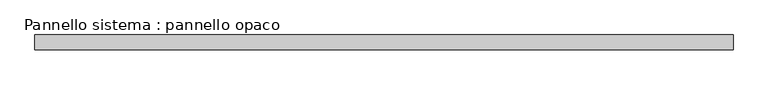
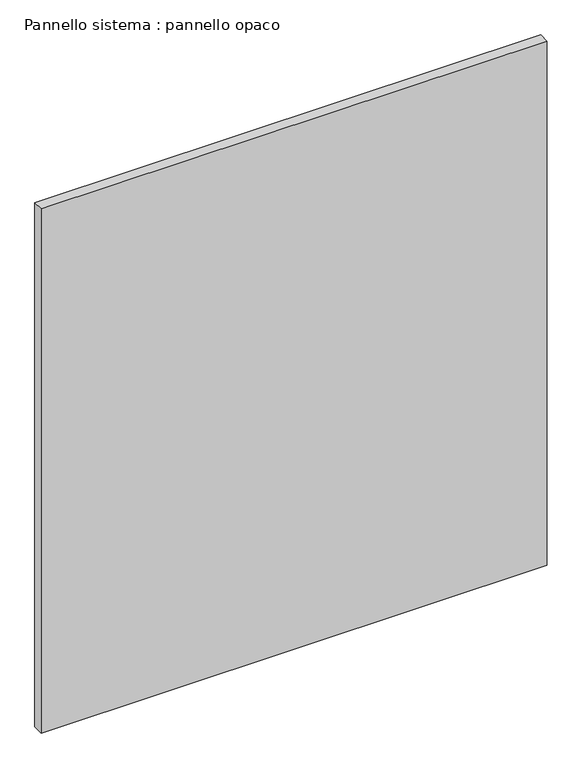
"""IFC4 building model written with IfcOpenShell, lengths in millimetres: plate geometry, Pannello sistema : pannello opaco."""

from ifc_helpers import new_model, si_unit, origin, origin_with_axes, place, context, project, spatial, polyline, outline, extrude, source, transform, mapped, element, save


def pannello_sistema_pannello_opaco_cc7041ba(model_context):
    return source(origin(), model_context, "Body", "SweptSolid", [
        extrude(outline(polyline([(710.0, -15.0), (-710.0, -15.0), (-710.0, 15.0), (710.0, 15.0), (710.0, -15.0)])), origin_with_axes(), (0.0, 0.0, 1.0), 1555.0),
    ])


if __name__ == "__main__":
    model = new_model("IFC4")
    model_context = context("Model", 3, world=origin())
    ifc_project = project(units=[si_unit("LENGTHUNIT", "METRE", prefix="MILLI")], contexts=[model_context])
    site = spatial("IfcSite", under=ifc_project)
    building = spatial("IfcBuilding", under=site)
    placement = place(None, origin())
    pannello_sistema_pannello_opaco_shape = pannello_sistema_pannello_opaco_cc7041ba(model_context)
    element("IfcPlate", 1, ObjectType="Pannello sistema : pannello opaco", at=placement, inside=building, context=model_context, shape_type="MappedRepresentation", body=[
        mapped(pannello_sistema_pannello_opaco_shape, transform((0.0, 0.0, 0.0), x_axis=(1.0, 0.0, 0.0), y_axis=(0.0, 1.0, 0.0), z_axis=(0.0, 0.0, 1.0))),
    ])
    save(model, "model.ifc")
